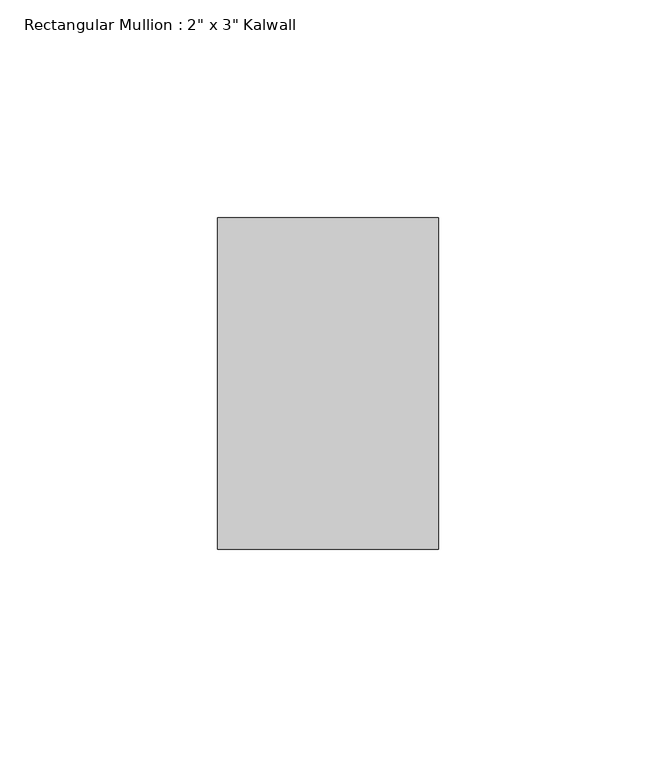
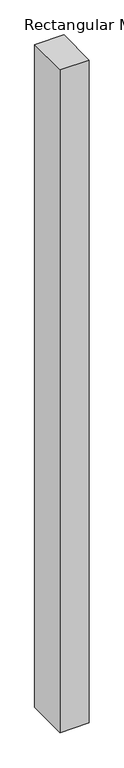
"""IFC4 building model written with IfcOpenShell, lengths in millimetres: member geometry."""

from ifc_helpers import new_model, si_unit, frame, origin, place, context, project, spatial, polyline, outline, extrude, source, transform, mapped, element, save


def member_8e5ff7d3(model_context):
    return source(origin(), model_context, "Body", "SweptSolid", [
        extrude(outline(polyline([(0.0, 0.0), (0.0, -76.2), (-50.8, -76.2), (-50.8, 0.0), (0.0, 0.0)])), frame((0.0, 0.0, -1219.2), z_axis=(0.0, 0.0, 1.0), x_axis=(1.0, 0.0, 0.0)), (0.0, 0.0, 1.0), 1219.2),
    ])


if __name__ == "__main__":
    model = new_model("IFC4")
    model_context = context("Model", 3, world=origin())
    ifc_project = project(units=[si_unit("LENGTHUNIT", "METRE", prefix="MILLI")], contexts=[model_context])
    site = spatial("IfcSite", under=ifc_project)
    building = spatial("IfcBuilding", under=site)
    placement = place(None, origin())
    member_shape = member_8e5ff7d3(model_context)
    element("IfcMember", 1, ObjectType="Rectangular Mullion : 2\" x 3\" Kalwall", at=placement, inside=building, context=model_context, shape_type="MappedRepresentation", body=[
        mapped(member_shape, transform((0.0, 0.0, 0.0), x_axis=(1.0, 0.0, 0.0), y_axis=(0.0, 1.0, 0.0), z_axis=(0.0, 0.0, 1.0))),
    ])
    save(model, "model.ifc")
